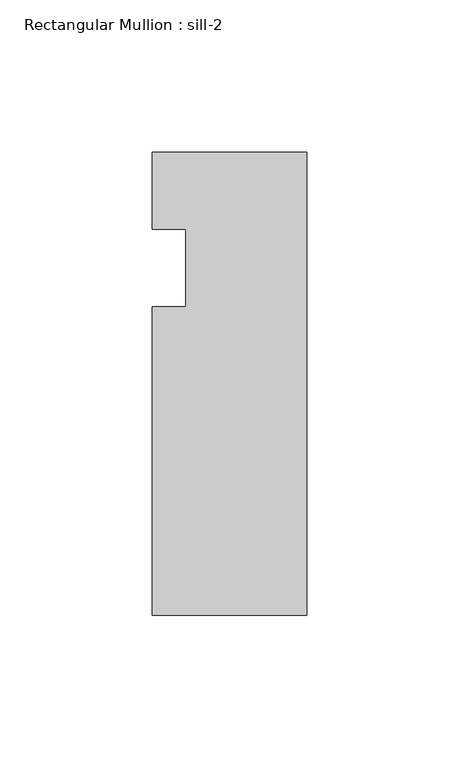
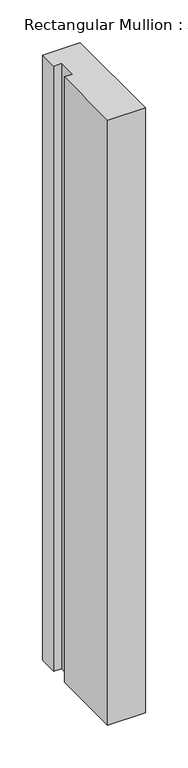
"""IFC4 building model written with IfcOpenShell, lengths in millimetres: member geometry, Rectangular Mullion : sill-2."""

import ifcopenshell
import ifcopenshell.guid

model = None  # the IFC model being written
_history = None  # IfcOwnerHistory: only IFC2X3 demands one
_inside = {}  # id of a spatial element -> (the spatial element, [elements in it])
_under = {}  # id of a project, library or spatial element -> (it, [spatial elements below it])
_declared = {}  # id of a project -> (the project, [libraries it declares])
_typed = {}  # id of a type object -> (the type object, [elements of that type])
_made_of = {}  # id of a material, layer set ... -> (it, [elements and type objects made of it])


def new_model(schema):
    """Start an empty IFC model of exactly this schema.

    Asked for "IFC4X3", IfcOpenShell would pick the latest addendum, in which some entities
    have other attributes; the version numbers below select the first issue.
    IFC2X3 requires an IfcOwnerHistory on every rooted entity: one is made here for all.
    """
    global model, _history
    if schema == "IFC4X3":
        model = ifcopenshell.file(schema_version=(4, 3, 0, 0))
    else:
        model = ifcopenshell.file(schema=schema)
    _inside.clear()
    _under.clear()
    _declared.clear()
    _typed.clear()
    _made_of.clear()
    _history = None
    if model.schema == "IFC2X3":
        org = make("IfcOrganization", Name="unknown")
        user = make(
            "IfcPersonAndOrganization",
            ThePerson=make("IfcPerson", FamilyName="unknown"),
            TheOrganization=org,
        )
        app = make(
            "IfcApplication",
            ApplicationDeveloper=org,
            Version="unknown",
            ApplicationFullName="unknown",
            ApplicationIdentifier="unknown",
        )
        _history = make(
            "IfcOwnerHistory",
            OwningUser=user,
            OwningApplication=app,
            ChangeAction="ADDED",
            CreationDate=0,
        )
    return model


def make(cls, **values):
    """One entity of the class cls with the attributes given. An attribute that is None is left unset."""
    return model.create_entity(
        cls, **{name: value for name, value in values.items() if value is not None}
    )


def rooted(cls, **values):
    """An entity with a GlobalId (a new one), such as an element, a storey or a relation."""
    return make(cls, GlobalId=ifcopenshell.guid.new(), OwnerHistory=_history, **values)


def si_unit(unit_type, name, prefix=None):
    """IfcSIUnit, for example si_unit("LENGTHUNIT", "METRE", prefix="MILLI")."""
    return make("IfcSIUnit", UnitType=unit_type, Prefix=prefix, Name=name)


def assignment(units):
    """IfcUnitAssignment: the units of a project."""
    return None if units is None else make("IfcUnitAssignment", Units=units)


def point(xyz):
    """IfcCartesianPoint."""
    return None if xyz is None else make("IfcCartesianPoint", Coordinates=xyz)


def direction(xyz):
    """IfcDirection."""
    return None if xyz is None else make("IfcDirection", DirectionRatios=xyz)


def frame(location, z_axis=None, x_axis=None):
    """IfcAxis2Placement3D, a coordinate frame: its origin and axes. An axis left out is left unset."""
    return make(
        "IfcAxis2Placement3D",
        Location=point(location),
        Axis=direction(z_axis),
        RefDirection=direction(x_axis),
    )


def origin():
    """The frame at (0, 0, 0) with its axes left unset."""
    return frame((0.0, 0.0, 0.0))


def place(relative_to, where):
    """IfcLocalPlacement: puts the frame where relative to a parent placement (None: the world)."""
    return make(
        "IfcLocalPlacement", PlacementRelTo=relative_to, RelativePlacement=where
    )


def context(
    kind, dimensions, precision=None, world=None, true_north=None, identifier=None
):
    """IfcGeometricRepresentationContext, for example the 3D "Model" context."""
    return make(
        "IfcGeometricRepresentationContext",
        ContextIdentifier=identifier,
        ContextType=kind,
        CoordinateSpaceDimension=dimensions,
        Precision=precision,
        WorldCoordinateSystem=world,
        TrueNorth=true_north,
    )


def project(units=None, contexts=None):
    """IfcProject with its units and contexts."""
    return rooted(
        "IfcProject",
        Name="project",
        RepresentationContexts=contexts,
        UnitsInContext=assignment(units),
    )


def spatial(cls, under=None, at=None, **own):
    """A site, building, storey or space (cls), placed at a placement, below another one or the project."""
    s = rooted(cls, ObjectPlacement=at, **own)
    if under is not None:
        _under.setdefault(under.id(), (under, []))[1].append(s)
    return s


def polyline(points):
    """IfcPolyline through the points."""
    return make("IfcPolyline", Points=[point(p) for p in points])


def outline(outer, holes=None, kind="AREA"):
    """IfcArbitraryClosedProfileDef: a profile drawn as a closed curve; with holes, ...WithVoids."""
    if holes is None:
        return make("IfcArbitraryClosedProfileDef", ProfileType=kind, OuterCurve=outer)
    return make(
        "IfcArbitraryProfileDefWithVoids",
        ProfileType=kind,
        OuterCurve=outer,
        InnerCurves=holes,
    )


def extrude(swept, where, along, depth):
    """IfcExtrudedAreaSolid: the profile swept, set in the frame where, extruded along a direction by depth."""
    return make(
        "IfcExtrudedAreaSolid",
        SweptArea=swept,
        Position=where,
        ExtrudedDirection=direction(along),
        Depth=depth,
    )


def shape(context_of_items, identifier, shape_type, items):
    """IfcShapeRepresentation: the items that make up one representation, for example the "Body"."""
    return make(
        "IfcShapeRepresentation",
        ContextOfItems=context_of_items,
        RepresentationIdentifier=identifier,
        RepresentationType=shape_type,
        Items=items,
    )


def source(mapping_origin, context_of_items, identifier, shape_type, items):
    """IfcRepresentationMap: a shape defined once, which mapped items show again and again."""
    return make(
        "IfcRepresentationMap",
        MappingOrigin=mapping_origin,
        MappedRepresentation=shape(context_of_items, identifier, shape_type, items),
    )


def transform(
    local_origin,
    x_axis=None,
    y_axis=None,
    z_axis=None,
    scale=None,
    scale2=None,
    scale3=None,
    uniform=True,
):
    """IfcCartesianTransformationOperator3D, or its non-uniform kind. x_axis, y_axis, z_axis: its Axis1, 2, 3."""
    if uniform:
        return make(
            "IfcCartesianTransformationOperator3D",
            Axis1=direction(x_axis),
            Axis2=direction(y_axis),
            LocalOrigin=point(local_origin),
            Scale=scale,
            Axis3=direction(z_axis),
        )
    return make(
        "IfcCartesianTransformationOperator3DnonUniform",
        Axis1=direction(x_axis),
        Axis2=direction(y_axis),
        LocalOrigin=point(local_origin),
        Scale=scale,
        Axis3=direction(z_axis),
        Scale2=scale2,
        Scale3=scale3,
    )


def mapped(mapping_source, mapping_target):
    """IfcMappedItem: shows the shape of a source again, moved by a transform."""
    return make(
        "IfcMappedItem", MappingSource=mapping_source, MappingTarget=mapping_target
    )


def made_of(thing, what):
    """Note that an element or type object is made of a material, layer set ...; save() writes the relation."""
    if what is not None:
        _made_of.setdefault(what.id(), (what, []))[1].append(thing)
    return thing


def element(
    cls,
    number,
    at=None,
    inside=None,
    cuts=None,
    type_object=None,
    material=None,
    context=None,
    identifier="Body",
    shape_type=None,
    held_by="IfcProductDefinitionShape",
    body=None,
    shapes=None,
    **own,
):
    """One element of the class cls, such as IfcWall. Its Tag is "e" and its number.

    at: its placement. inside: the storey or other place that contains it. cuts: it is an
    opening in that element (IfcRelVoidsElement). A single representation is given by context,
    identifier, shape_type and body (its items); several are given by shapes. held_by: the class
    of the entity that holds the representations. save() writes the other relations.
    """
    e = rooted(cls, Tag="e%d" % number, ObjectPlacement=at, **own)
    if body is not None:
        shapes = [shape(context, identifier, shape_type, body)]
    if shapes is not None:
        e.Representation = make(held_by, Representations=shapes)
    if inside is not None:
        _inside.setdefault(inside.id(), (inside, []))[1].append(e)
    if cuts is not None:
        rooted(
            "IfcRelVoidsElement", RelatingBuildingElement=cuts, RelatedOpeningElement=e
        )
    if type_object is not None:
        _typed.setdefault(type_object.id(), (type_object, []))[1].append(e)
    return made_of(e, material)


def aggregate(whole, parts):
    """IfcRelAggregates: a whole, such as a stair, and the parts it consists of."""
    return rooted("IfcRelAggregates", RelatingObject=whole, RelatedObjects=parts)


def save(model, path):
    """Write the relations noted so far, then the file.

    IfcRelAggregates (storeys below a building ...), IfcRelContainedInSpatialStructure (elements
    in a storey), IfcRelDefinesByType, IfcRelAssociatesMaterial and IfcRelDeclares: one each for
    every whole, place, type object, material and project.
    """
    for whole, parts in _under.values():
        aggregate(whole, parts)
    for where, things in _inside.values():
        rooted(
            "IfcRelContainedInSpatialStructure",
            RelatedElements=things,
            RelatingStructure=where,
        )
    for kind, things in _typed.values():
        rooted("IfcRelDefinesByType", RelatedObjects=things, RelatingType=kind)
    for what, things in _made_of.values():
        rooted("IfcRelAssociatesMaterial", RelatedObjects=things, RelatingMaterial=what)
    for by, libraries in _declared.values():
        rooted("IfcRelDeclares", RelatingContext=by, RelatedDefinitions=libraries)
    model.write(path)


def rectangular_mullion_sill_2_138a14a2(model_context):
    return source(origin(), model_context, "Body", "SweptSolid", [
        extrude(outline(polyline([(0.0, 6.35), (0.0, -146.05), (-50.8, -146.05), (-50.8, -44.45), (-39.798625, -44.45), (-39.798625, -19.05), (-50.8, -19.05), (-50.8, 6.35), (0.0, 6.35)])), frame((0.0, 0.0, -863.6), z_axis=(0.0, 0.0, 1.0), x_axis=(1.0, 0.0, 0.0)), (0.0, 0.0, 1.0), 863.6),
    ])


if __name__ == "__main__":
    model = new_model("IFC4")
    model_context = context("Model", 3, world=origin())
    ifc_project = project(units=[si_unit("LENGTHUNIT", "METRE", prefix="MILLI")], contexts=[model_context])
    site = spatial("IfcSite", under=ifc_project)
    building = spatial("IfcBuilding", under=site)
    placement = place(None, origin())
    rectangular_mullion_sill_2_shape = rectangular_mullion_sill_2_138a14a2(model_context)
    element("IfcMember", 1, ObjectType="Rectangular Mullion : sill-2", at=placement, inside=building, context=model_context, shape_type="MappedRepresentation", body=[
        mapped(rectangular_mullion_sill_2_shape, transform((0.0, 0.0, 0.0), x_axis=(1.0, 0.0, 0.0), y_axis=(0.0, 1.0, 0.0), z_axis=(0.0, 0.0, 1.0))),
    ])
    save(model, "model.ifc")
